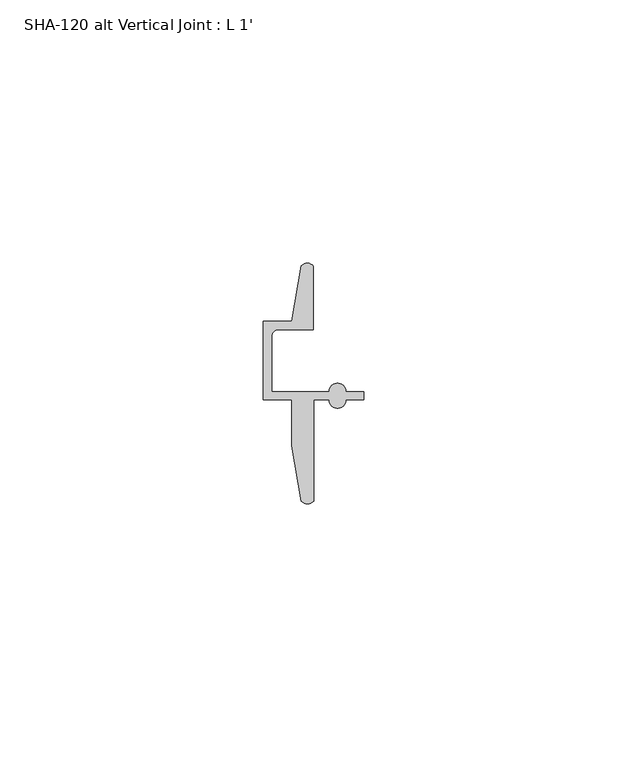
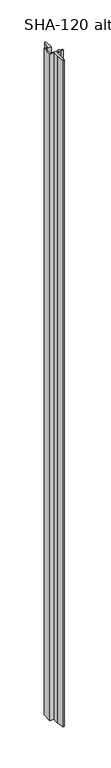
"""IFC4 building model written with IfcOpenShell, lengths in millimetres: proxy geometry, SHA-120 alt Vertical Joint : L 1'."""

from ifc_helpers import new_model, si_unit, point, frame_2d, origin, origin_with_axes, place, context, project, spatial, polyline, circle_curve, trimmed, segment, composite_curve, outline, extrude, source, transform, mapped, element, save


def sha_120_alt_vertical_joint_l_1_d8f4d31f(model_context):
    return source(origin(), model_context, "Body", "SweptSolid", [
        extrude(outline(composite_curve([segment(trimmed(circle_curve(frame_2d((8.3577235, 1.6155848)), 1.6162393), [point((9.5504, 0.5248271))], [point((7.2290308, 0.4587433))], False, "CARTESIAN"), True, "CONTINUOUS"), segment(polyline([(7.2290308, 0.4587433), (5.418057, 11.0348302), (5.418057, 19.7299797), (0.0, 19.7299797), (0.0, 34.6397797), (5.392657, 34.6397797), (7.2036308, 45.2158666)]), True, "CONTINUOUS"), segment(trimmed(circle_curve(frame_2d((8.3323044, 44.0583525)), 1.6167075), [point((7.2036308, 45.2158666))], [point((9.525, 45.1497828))], False, "CARTESIAN"), True, "CONTINUOUS"), segment(polyline([(9.525, 45.1497828), (9.525, 33.0649797), (2.8448, 33.0649797)]), True, "CONTINUOUS"), segment(trimmed(circle_curve(frame_2d((2.8448, 31.7949797)), 1.27), [point((2.8448, 33.0649797))], [point((1.5748, 31.7949797))], True, "CARTESIAN"), True, "CONTINUOUS"), segment(polyline([(1.5748, 31.7949797), (1.5748, 21.3047797), (12.5148578, 21.3047797)]), True, "CONTINUOUS"), segment(trimmed(circle_curve(frame_2d((14.0896578, 21.3047797)), 1.5748), [point((12.5148578, 21.3047797))], [point((15.6644578, 21.3047797))], False, "CARTESIAN"), True, "CONTINUOUS"), segment(polyline([(15.6644578, 21.3047797), (19.05, 21.3047797), (19.05, 19.7299794), (15.6644578, 19.7299794)]), True, "CONTINUOUS"), segment(trimmed(circle_curve(frame_2d((14.0896578, 19.7299794)), 1.5748), [point((15.6644578, 19.7299794))], [point((12.5148578, 19.7299794))], False, "CARTESIAN"), True, "CONTINUOUS"), segment(polyline([(12.5148578, 19.7299794), (9.5504, 19.7299794), (9.5504, 0.5248271)]), True, "CONTINUOUS")], self_intersect=False)), origin_with_axes(), (0.0, 0.0, 1.0), 1025.525),
    ])


if __name__ == "__main__":
    model = new_model("IFC4")
    model_context = context("Model", 3, world=origin())
    ifc_project = project(units=[si_unit("LENGTHUNIT", "METRE", prefix="MILLI")], contexts=[model_context])
    site = spatial("IfcSite", under=ifc_project)
    building = spatial("IfcBuilding", under=site)
    placement = place(None, origin())
    sha_120_alt_vertical_joint_l_1_shape = sha_120_alt_vertical_joint_l_1_d8f4d31f(model_context)
    element("IfcBuildingElementProxy", 1, Name="SHA-120 alt Vertical Joint : L 1'", ObjectType="SHA-120 alt Vertical Joint : L 1'", at=placement, inside=building, context=model_context, shape_type="MappedRepresentation", body=[
        mapped(sha_120_alt_vertical_joint_l_1_shape, transform((0.0, 0.0, 0.0), x_axis=(1.0, 0.0, 0.0), y_axis=(0.0, 1.0, 0.0), z_axis=(0.0, 0.0, 1.0))),
    ])
    save(model, "model.ifc")
